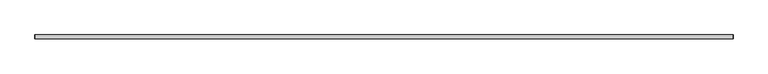
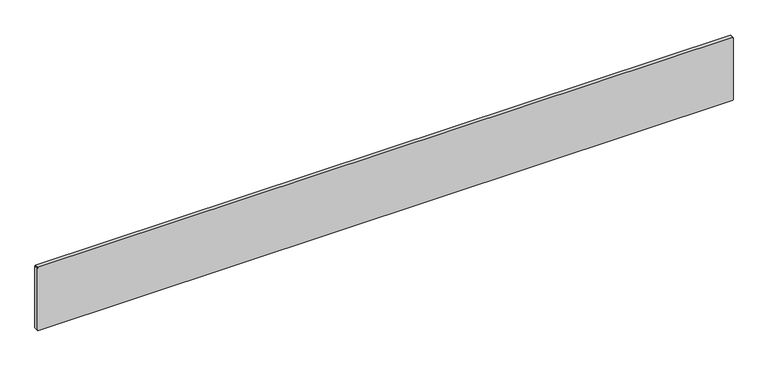
"""IFC4 building model written with IfcOpenShell, lengths in millimetres: proxy geometry."""

from ifc_helpers import new_model, si_unit, origin, place, context, project, spatial, faceted_brep, source, transform, mapped, element, save


def generic_models_39414f61(model_context):
    return source(origin(), model_context, "Body", "Brep", [
        faceted_brep([(-2482.3074095, 10.0, -163.2843076), (-2482.3074095, 0.0, -163.2843076), (-743.5074095, 0.0, -163.2843076), (-743.5074095, 10.0, -163.2843076), (-743.5074095, 10.0, -164.3843076), (-743.5074095, 0.0, -164.3843076), (-742.4074095, 0.0, -164.3843076), (-742.4074095, 10.0, -164.3843076), (-742.4074095, 10.0, -328.9351585), (-743.5074095, 10.0, -328.9351585), (-743.5074095, 10.0, -329.9351585), (-2482.3074095, 10.0, -329.9351585), (-2482.3074095, 10.0, -328.9351585), (-2483.4074095, 10.0, -328.9351585), (-2483.4074095, 10.0, -165.2843076), (-2482.3074095, 10.0, -165.2843076), (-2482.3074095, 0.0, -328.9351585), (-2482.3074095, 0.0, -329.9351585), (-743.5074095, 0.0, -329.9351585), (-743.5074095, 0.0, -328.9351585), (-742.4074095, 0.0, -328.9351585), (-2482.3074095, 0.0, -165.2843076), (-2483.4074095, 0.0, -165.2843076), (-2483.4074095, 0.0, -328.9351585), (-2483.4074095, 2.0, -165.2843076)], [[[0, 1, 2, 3]], [[4, 5, 6, 7]], [[4, 7, 8, 9, 10, 11, 12, 13, 14, 15, 0, 3]], [[16, 17, 18, 19, 20, 6, 5, 2, 1, 21, 22, 23]], [[16, 23, 13, 12]], [[16, 12, 11, 17]], [[23, 22, 24, 14, 13]], [[18, 17, 11, 10]], [[19, 9, 8, 20]], [[6, 20, 8, 7]], [[21, 15, 14, 24, 22]], [[9, 19, 18, 10]], [[5, 4, 3, 2]], [[1, 0, 15, 21]]]),
    ])


if __name__ == "__main__":
    model = new_model("IFC4")
    model_context = context("Model", 3, world=origin())
    ifc_project = project(units=[si_unit("LENGTHUNIT", "METRE", prefix="MILLI")], contexts=[model_context])
    site = spatial("IfcSite", under=ifc_project)
    building = spatial("IfcBuilding", under=site)
    placement = place(None, origin())
    generic_models_shape = generic_models_39414f61(model_context)
    element("IfcBuildingElementProxy", 1, Name="Generic Models", at=placement, inside=building, context=model_context, shape_type="MappedRepresentation", body=[
        mapped(generic_models_shape, transform((0.0, 0.0, 0.0), x_axis=(1.0, 0.0, 0.0), y_axis=(0.0, 1.0, 0.0), z_axis=(0.0, 0.0, 1.0))),
    ])
    save(model, "model.ifc")
